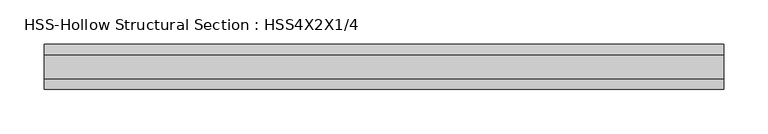
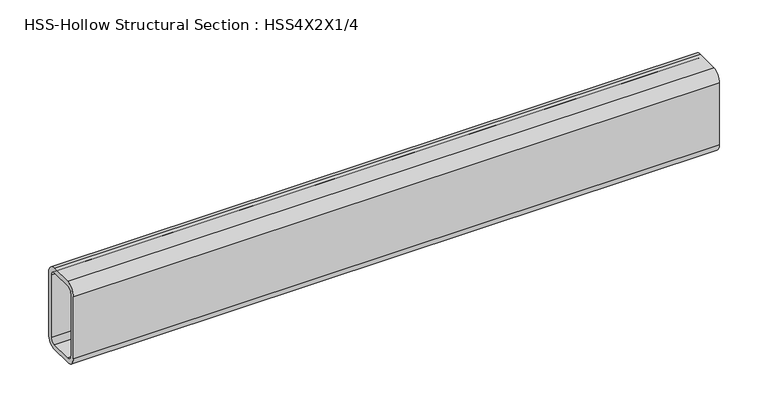
"""IFC4 building model written with IfcOpenShell, lengths in millimetres: beam geometry, HSS-Hollow Structural Section : HSS4X2X1/4."""

from ifc_helpers import new_model, si_unit, point, frame, frame_2d, origin, place, context, project, spatial, polyline, circle_curve, trimmed, segment, composite_curve, outline, extrude, source, transform, mapped, element, save


def hss_hollow_structural_section_hss4x2x1_4_d15a5c3a(model_context):
    return source(origin(), model_context, "Body", "SweptSolid", [
        extrude(outline(composite_curve([segment(polyline([(25.4, 38.9636), (25.4, -38.9636)]), True, "CONTINUOUS"), segment(trimmed(circle_curve(frame_2d((13.5636, -38.9636)), 11.8364), [point((25.4, -38.9636))], [point((13.5636, -50.8))], False, "CARTESIAN"), True, "CONTINUOUS"), segment(polyline([(13.5636, -50.8), (-13.5636, -50.8)]), True, "CONTINUOUS"), segment(trimmed(circle_curve(frame_2d((-13.5636, -38.9636)), 11.8364), [point((-13.5636, -50.8))], [point((-25.4, -38.9636))], False, "CARTESIAN"), True, "CONTINUOUS"), segment(polyline([(-25.4, -38.9636), (-25.4, 38.9636)]), True, "CONTINUOUS"), segment(trimmed(circle_curve(frame_2d((-13.5636, 38.9636)), 11.8364), [point((-25.4, 38.9636))], [point((-13.5636, 50.8))], False, "CARTESIAN"), True, "CONTINUOUS"), segment(polyline([(-13.5636, 50.8), (13.5636, 50.8)]), True, "CONTINUOUS"), segment(trimmed(circle_curve(frame_2d((13.5636, 38.9636)), 11.8364), [point((13.5636, 50.8))], [point((25.4, 38.9636))], False, "CARTESIAN"), True, "CONTINUOUS")], self_intersect=False), holes=[composite_curve([segment(trimmed(circle_curve(frame_2d((-13.5636, 38.9636)), 5.9182), [point((-13.5636, 44.8818))], [point((-19.4818, 38.9636))], True, "CARTESIAN"), True, "CONTINUOUS"), segment(polyline([(-19.4818, 38.9636), (-19.4818, -38.9636)]), True, "CONTINUOUS"), segment(trimmed(circle_curve(frame_2d((-13.5636, -38.9636)), 5.9182), [point((-19.4818, -38.9636))], [point((-13.5636, -44.8818))], True, "CARTESIAN"), True, "CONTINUOUS"), segment(polyline([(-13.5636, -44.8818), (13.5636, -44.8818)]), True, "CONTINUOUS"), segment(trimmed(circle_curve(frame_2d((13.5636, -38.9636)), 5.9182), [point((13.5636, -44.8818))], [point((19.4818, -38.9636))], True, "CARTESIAN"), True, "CONTINUOUS"), segment(polyline([(19.4818, -38.9636), (19.4818, 38.9636)]), True, "CONTINUOUS"), segment(trimmed(circle_curve(frame_2d((13.5636, 38.9636)), 5.9182), [point((19.4818, 38.9636))], [point((13.5636, 44.8818))], True, "CARTESIAN"), True, "CONTINUOUS"), segment(polyline([(13.5636, 44.8818), (-13.5636, 44.8818)]), True, "CONTINUOUS")], self_intersect=False)]), frame((-371.6410717, 0.0, 0.0), z_axis=(1.0, 0.0, 0.0), x_axis=(0.0, 1.0, 0.0)), (0.0, 0.0, 1.0), 765.8490717),
    ])


if __name__ == "__main__":
    model = new_model("IFC4")
    model_context = context("Model", 3, world=origin())
    ifc_project = project(units=[si_unit("LENGTHUNIT", "METRE", prefix="MILLI")], contexts=[model_context])
    site = spatial("IfcSite", under=ifc_project)
    building = spatial("IfcBuilding", under=site)
    placement = place(None, origin())
    hss_hollow_structural_section_hss4x2x1_4_shape = hss_hollow_structural_section_hss4x2x1_4_d15a5c3a(model_context)
    element("IfcBeam", 1, ObjectType="HSS-Hollow Structural Section : HSS4X2X1/4", at=placement, inside=building, context=model_context, shape_type="MappedRepresentation", body=[
        mapped(hss_hollow_structural_section_hss4x2x1_4_shape, transform((0.0, 0.0, 0.0), x_axis=(1.0, 0.0, 0.0), y_axis=(0.0, 1.0, 0.0), z_axis=(0.0, 0.0, 1.0))),
    ])
    save(model, "model.ifc")
